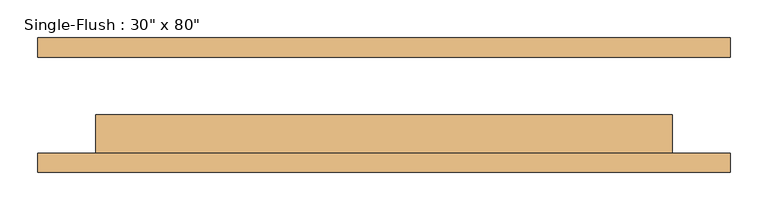
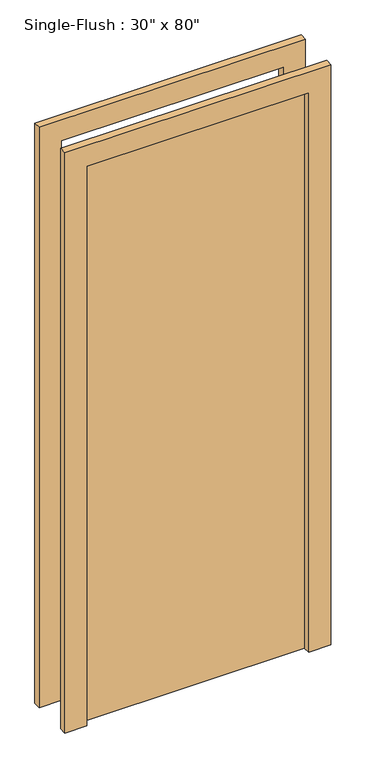
"""IFC4 building model written with IfcOpenShell, lengths in millimetres: door geometry."""

from ifc_helpers import new_model, si_unit, frame, origin, origin_with_axes, place, context, project, spatial, polyline, outline, extrude, source, transform, mapped, element, save


def door_e00f436c(model_context):
    return source(origin(), model_context, "Body", "SweptSolid", [
        extrude(outline(polyline([(2108.2, -457.2), (0.0, -457.2), (0.0, -381.0), (2032.0, -381.0), (2032.0, 381.0), (0.0, 381.0), (0.0, 457.2), (2108.2, 457.2), (2108.2, -457.2)])), frame((0.0, -88.9, 0.0), z_axis=(0.0, 1.0, 0.0), x_axis=(0.0, 0.0, 1.0)), (0.0, 0.0, 1.0), 25.4),
        extrude(outline(polyline([(2108.2, 457.2), (2108.2, -457.2), (0.0, -457.2), (0.0, -381.0), (2032.0, -381.0), (2032.0, 381.0), (0.0, 381.0), (0.0, 457.2), (2108.2, 457.2)])), frame((0.0, 63.5, 0.0), z_axis=(0.0, 1.0, 0.0), x_axis=(0.0, 0.0, 1.0)), (0.0, 0.0, 1.0), 25.4),
        extrude(outline(polyline([(381.0, -12.7), (381.0, -63.5), (-381.0, -63.5), (-381.0, -12.7), (381.0, -12.7)])), origin_with_axes(), (0.0, 0.0, 1.0), 2032.0),
    ])


if __name__ == "__main__":
    model = new_model("IFC4")
    model_context = context("Model", 3, world=origin())
    ifc_project = project(units=[si_unit("LENGTHUNIT", "METRE", prefix="MILLI")], contexts=[model_context])
    site = spatial("IfcSite", under=ifc_project)
    building = spatial("IfcBuilding", under=site)
    placement = place(None, origin())
    door_shape = door_e00f436c(model_context)
    element("IfcDoor", 1, ObjectType="Single-Flush : 30\" x 80\"", at=placement, inside=building, context=model_context, shape_type="MappedRepresentation", body=[
        mapped(door_shape, transform((0.0, 0.0, 0.0), x_axis=(1.0, 0.0, 0.0), y_axis=(0.0, 1.0, 0.0), z_axis=(0.0, 0.0, 1.0))),
    ])
    save(model, "model.ifc")
